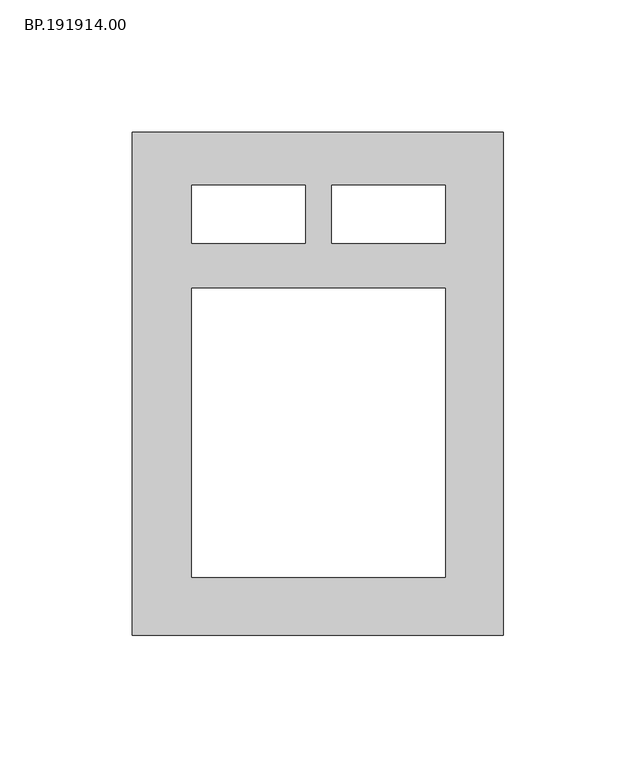
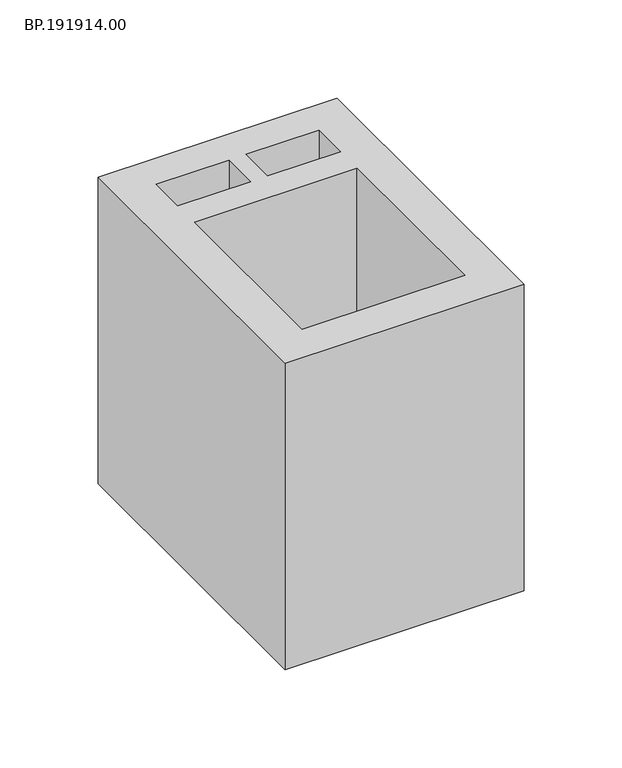
"""IFC4 building model written with IfcOpenShell, lengths in millimetres: proxy geometry, BP.191914.00."""

from ifc_helpers import new_model, si_unit, origin, origin_with_axes, place, context, project, spatial, polyline, outline, extrude, source, transform, mapped, element, save


def bp_191914_00_dd1a1a8e(model_context):
    return source(origin(), model_context, "Body", "SweptSolid", [
        extrude(outline(polyline([(145.0100586, -95.0050293), (5.0, -95.0050293), (5.0, 94.9554688), (145.0100586, 94.9554688), (145.0100586, -95.0050293)]), holes=[polyline([(123.0486084, 36.2055664), (27.4451416, 36.2055664), (27.4451416, -73.0714844), (123.0486084, -73.0714844), (123.0486084, 36.2055664)]), polyline([(80.2419189, 53.1161621), (123.0486084, 53.1161621), (123.0486084, 75.049707), (80.2419189, 75.049707), (80.2419189, 53.1161621)]), polyline([(70.2518311, 53.1161621), (70.2518311, 75.049707), (27.4451416, 75.049707), (27.4451416, 53.1161621), (70.2518311, 53.1161621)])]), origin_with_axes(), (0.0, 0.0, 1.0), 190.0),
    ])


if __name__ == "__main__":
    model = new_model("IFC4")
    model_context = context("Model", 3, world=origin())
    ifc_project = project(units=[si_unit("LENGTHUNIT", "METRE", prefix="MILLI")], contexts=[model_context])
    site = spatial("IfcSite", under=ifc_project)
    building = spatial("IfcBuilding", under=site)
    placement = place(None, origin())
    bp_191914_00_shape = bp_191914_00_dd1a1a8e(model_context)
    element("IfcBuildingElementProxy", 1, Name="BP.191914.00", ObjectType="BP.191914.00", at=placement, inside=building, context=model_context, shape_type="MappedRepresentation", body=[
        mapped(bp_191914_00_shape, transform((0.0, 0.0, 0.0), x_axis=(1.0, 0.0, 0.0), y_axis=(0.0, 1.0, 0.0), z_axis=(0.0, 0.0, 1.0))),
    ])
    save(model, "model.ifc")
